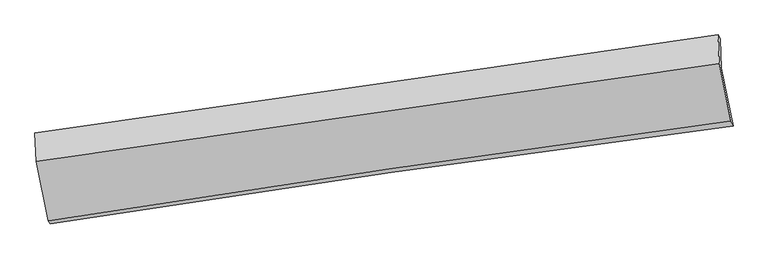
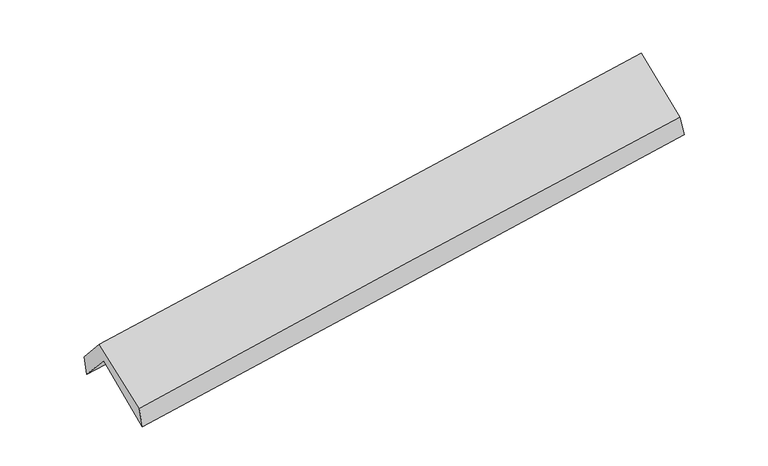
"""IFC4 building model written with IfcOpenShell, lengths in millimetres: proxy geometry."""

from ifc_helpers import new_model, si_unit, frame, origin, place, context, project, spatial, source, transform, mapped, element, save
from ifc_brep_helpers import plane_surface, spline_curve, spline_surface, advanced_brep


def generic_models_359820a6(model_context):
    return source(origin(), model_context, "Body", "AdvancedBrep", [
        advanced_brep(
        [(-2906.8212415, -2522.0276819, 1442.0467899), (-3009.754125, -2021.5582389, 1879.3713037), (2952.7084249, -1162.1381919, 2380.1708544), (3055.0704155, -1666.643585, 1956.9890132), (-3022.6152875, -1750.37914, 1575.1086726), (2941.5463606, -906.9157158, 2081.9267332), (-3039.5182201, -1729.1781581, 1751.8227775), (2923.826294, -870.6987009, 2243.1167833), (-3028.0298425, -1978.234086, 2035.3439529), (2934.7322618, -1122.6318276, 2538.9326529), (-2925.235486, -2497.408208, 1631.9415172), (3036.0048522, -1625.5763226, 2126.8055525)],
        [
            (0, 1),
            (1, 2, spline_curve(3, [(-3009.754125, -2021.5582389, 1879.3713037), (-2016.602715031, -1866.767090457, 1950.467895486), (-1023.1564711, -1717.75335676, 2027.749358063), (964.331042542, -1431.279945197, 2194.682474736), (1958.372315073, -1293.820330249, 2284.33419572), (2952.7084249, -1162.1381919, 2380.1708544)], [4, 2, 4], [0.0, 9.916486966062381, 19.833027395730568])),
            (2, 3),
            (3, 0, spline_curve(3, [(3055.0704155, -1666.643585, 1956.9890132), (2060.743425254, -1796.849491939, 1858.497988855), (1066.754287006, -1933.234662407, 1766.340526333), (-920.542928077, -2218.362761378, 1594.693186974), (-1913.851009053, -2367.105623268, 1515.203241631), (-2906.8212415, -2522.0276819, 1442.0467899)], [4, 2, 4], [0.0, 9.916540429668187, 19.833027395730568])),
            (1, 4),
            (4, 5, spline_curve(3, [(-3022.6152875, -1750.37914, 1575.1086726), (-2027.475855182, -1605.800164789, 1638.698459542), (-1032.89400644, -1463.222242642, 1712.728049598), (955.159882208, -1182.067746054, 1881.667290609), (1948.631916232, -1043.491193783, 1976.577054174), (2941.5463606, -906.9157158, 2081.9267332)], [4, 2, 4], [0.0, 9.916429169115439, 19.83291180152508])),
            (5, 2),
            (4, 6),
            (6, 7, spline_curve(3, [(-3039.5182201, -1729.1781581, 1751.8227775), (-2044.415848464, -1587.463314605, 1820.806733623), (-1049.920624681, -1445.066132499, 1896.239750992), (937.860886915, -1158.906321104, 2060.004349866), (1931.147167529, -1015.14368376, 2148.336001265), (2923.826294, -870.6987009, 2243.1167833)], [4, 2, 4], [0.0, 9.916328285159839, 19.832710033069972])),
            (7, 5),
            (6, 8),
            (8, 9, spline_curve(3, [(-3028.0298425, -1978.234086, 2035.3439529), (-2033.858804198, -1835.829069924, 2114.886860619), (-1039.877781695, -1693.326566265, 2196.62392032), (947.709588405, -1408.125814323, 2364.486796985), (1941.315934034, -1265.427565508, 2450.612637157), (2934.7322618, -1122.6318276, 2538.9326529)], [4, 2, 4], [0.0, 9.916125582475871, 19.83230462660919])),
            (9, 7),
            (8, 10),
            (10, 11, spline_curve(3, [(-2925.235486, -2497.408208, 1631.9415172), (-1933.178610133, -2340.230619027, 1712.73753795), (-940.381485093, -2188.989347277, 1794.374104359), (1046.698619836, -1898.378654928, 1959.328773906), (2040.981607553, -1759.009298172, 2042.646885715), (3036.0048522, -1625.5763226, 2126.8055525)], [4, 2, 4], [0.0, 9.916193899186977, 19.832441260399722])),
            (11, 9),
            (10, 0),
            (3, 11),
        ],
        [
            spline_surface(3, 3, [[(-2906.8212415, -2522.0276819, 1442.0467899), (-1913.851009028, -2367.105623293, 1515.203241749), (-920.542928216, -2218.362761359, 1594.693186914), (1066.754287145, -1933.234662425, 1766.340526393), (2060.743425326, -1796.849492068, 1858.497988984), (3055.0704155, -1666.643585, 1956.9890132)], [(-2941.132202644, -2355.204534251, 1587.821627839), (-1948.101577668, -2200.326112397, 1660.291459633), (-954.747442473, -2051.492959776, 1739.045243945), (1032.613205583, -1765.916423378, 1909.121175891), (2026.619721922, -1629.173104799, 2000.443391265), (3020.949751979, -1498.475120625, 2098.049626934)], [(-2975.443163856, -2188.381386549, 1733.596465761), (-1982.352146375, -2033.546601448, 1805.379677499), (-988.951956746, -1884.623158226, 1883.39730093), (998.472124006, -1598.598184363, 2051.901825341), (1992.496018483, -1461.496717555, 2142.388793543), (2986.829088421, -1330.306656275, 2239.110240666)], [(-3009.754125, -2021.5582389, 1879.3713037), (-2016.602715015, -1866.767090552, 1950.467895382), (-1023.156471003, -1717.753356642, 2027.749357961), (964.331042445, -1431.279945315, 2194.682474838), (1958.372315079, -1293.820330286, 2284.334195824), (2952.7084249, -1162.1381919, 2380.1708544)]], [4, 4], [4, 2, 4], [0.0, 2.1942305252307657], [0.0, 9.916486966062381, 19.833027395730568]),
            spline_surface(3, 3, [[(-3009.754125, -2021.5582389, 1879.3713037), (-2016.602715015, -1866.767090552, 1950.467895382), (-1023.156471003, -1717.753356642, 2027.749357961), (964.331042445, -1431.279945315, 2194.682474838), (1958.372315079, -1293.820330286, 2284.334195824), (2952.7084249, -1162.1381919, 2380.1708544)], [(-3014.041179167, -1931.165205911, 1777.950426671), (-2020.227095035, -1779.778115269, 1846.544750147), (-1026.40231614, -1632.909651937, 1922.742255179), (961.273989053, -1348.209212287, 2090.344080082), (1955.125515487, -1210.377284784, 2181.748481934), (2948.987736779, -1077.064033222, 2280.756147328)], [(-3018.328233333, -1840.772172989, 1676.529549629), (-2023.851475054, -1692.789140054, 1742.621604899), (-1029.648161321, -1548.065947201, 1817.735152409), (958.216935618, -1265.138479228, 1986.005685337), (1951.878715957, -1126.934239215, 2079.162768059), (2945.267048721, -991.989874478, 2181.341440272)], [(-3022.6152875, -1750.37914, 1575.1086726), (-2027.475855074, -1605.800164771, 1638.698459664), (-1032.894006459, -1463.222242496, 1712.728049627), (955.159882227, -1182.0677462, 1881.667290581), (1948.631916365, -1043.491193713, 1976.577054169), (2941.5463606, -906.9157158, 2081.9267332)]], [4, 4], [4, 2, 4], [0.0, 1.3210674280767796], [0.0, 9.916429169115439, 19.83291180152508]),
            spline_surface(3, 3, [[(-3022.6152875, -1750.37914, 1575.1086726), (-2027.475855074, -1605.800164771, 1638.698459664), (-1032.894006459, -1463.222242496, 1712.728049627), (955.159882227, -1182.0677462, 1881.667290581), (1948.631916365, -1043.491193713, 1976.577054169), (2941.5463606, -906.9157158, 2081.9267332)], [(-3028.249598389, -1743.31214603, 1634.01337422), (-2033.122519566, -1599.687881351, 1699.40121759), (-1038.569545809, -1457.170205858, 1773.898616709), (949.393550404, -1174.347271093, 1941.112977026), (1942.803666751, -1034.042023711, 2033.830036478), (2935.63967176, -894.84337749, 2135.656749878)], [(-3033.883909211, -1736.24515207, 1692.91807588), (-2038.769183991, -1593.575597939, 1760.103975557), (-1044.245085167, -1451.118169291, 1835.069183825), (943.627218573, -1166.626796057, 2000.558663505), (1936.975417057, -1024.592853739, 2091.083018853), (2929.73298284, -882.77103921, 2189.386766622)], [(-3039.5182201, -1729.1781581, 1751.8227775), (-2044.415848483, -1587.463314519, 1820.806733483), (-1049.920624517, -1445.066132653, 1896.239750907), (937.860886751, -1158.90632095, 2060.004349951), (1931.147167442, -1015.143683737, 2148.336001162), (2923.826294, -870.6987009, 2243.1167833)]], [4, 4], [4, 2, 4], [0.0, 0.6000886085581166], [0.0, 9.916328285159839, 19.832710033069972]),
            spline_surface(3, 3, [[(-3039.5182201, -1729.1781581, 1751.8227775), (-2044.415848483, -1587.463314519, 1820.806733483), (-1049.920624517, -1445.066132653, 1896.239750907), (937.860886751, -1158.90632095, 2060.004349951), (1931.147167442, -1015.143683737, 2148.336001162), (2923.826294, -870.6987009, 2243.1167833)], [(-3035.688760894, -1812.196800742, 1846.329835964), (-2040.896833665, -1670.251899678, 1918.833442542), (-1046.573010275, -1527.819610516, 1996.367807451), (941.143787293, -1241.979485461, 2161.498498927), (1934.53675636, -1098.571644293, 2249.094879793), (2927.461616604, -954.676409791, 2341.722073182)], [(-3031.859301706, -1895.215443358, 1940.836894436), (-2037.377818865, -1753.04048481, 2016.860151609), (-1043.225395971, -1610.573088311, 2096.495863938), (944.426687897, -1325.052649904, 2262.992647847), (1937.926345266, -1181.999604875, 2349.853758377), (2931.096939196, -1038.654118709, 2440.327363018)], [(-3028.0298425, -1978.234086, 2035.3439529), (-2033.858804047, -1835.829069969, 2114.886860668), (-1039.877781729, -1693.326566174, 2196.623920482), (947.709588439, -1408.125814415, 2364.486796823), (1941.315934183, -1265.427565431, 2450.612637008), (2934.7322618, -1122.6318276, 2538.9326529)]], [4, 4], [4, 2, 4], [0.0, 1.2851364454161682], [0.0, 9.916125582475871, 19.83230462660919]),
            spline_surface(3, 3, [[(-3028.0298425, -1978.234086, 2035.3439529), (-2033.858804047, -1835.829069969, 2114.886860668), (-1039.877781729, -1693.326566174, 2196.623920482), (947.709588439, -1408.125814415, 2364.486796823), (1941.315934183, -1265.427565431, 2450.612637008), (2934.7322618, -1122.6318276, 2538.9326529)], [(-2993.765056989, -2151.292126679, 1900.876474338), (-2000.29873938, -2003.962919677, 1980.83708641), (-1006.712349489, -1858.547493216, 2062.54064845), (980.705932206, -1571.543427876, 2229.434122471), (1974.537825246, -1429.954809664, 2314.624053245), (2968.489791921, -1290.279992599, 2401.556952782)], [(-2959.500271511, -2324.350167321, 1766.408995762), (-1966.738674746, -2172.096769347, 1846.787312138), (-973.546917242, -2023.768420311, 1928.457376475), (1013.702275979, -1734.96104139, 2094.381448175), (2007.759716347, -1594.482053902, 2178.635469436), (3002.247322079, -1457.928157601, 2264.181252618)], [(-2925.235486, -2497.408208, 1631.9415172), (-1933.178610079, -2340.230619055, 1712.73753788), (-940.381485002, -2188.989347353, 1794.374104443), (1046.698619745, -1898.378654852, 1959.328773823), (2040.98160741, -1759.009298135, 2042.646885673), (3036.0048522, -1625.5763226, 2126.8055525)]], [4, 4], [4, 2, 4], [0.0, 2.115654270256027], [0.0, 9.916193899186977, 19.832441260399722]),
            spline_surface(3, 3, [[(-2925.235486, -2497.408208, 1631.9415172), (-1933.178610079, -2340.230619055, 1712.73753788), (-940.381485002, -2188.989347353, 1794.374104443), (1046.698619745, -1898.378654852, 1959.328773823), (2040.98160741, -1759.009298135, 2042.646885673), (3036.0048522, -1625.5763226, 2126.8055525)], [(-2919.097404516, -2505.614699287, 1568.643274767), (-1926.736076412, -2349.188953787, 1646.892772504), (-933.76863274, -2198.780485374, 1727.813798599), (1053.383842211, -1909.997324063, 1894.999358013), (2047.56888004, -1771.622696119, 1981.263920105), (3042.360039958, -1639.265410073, 2070.200039395)], [(-2912.959322984, -2513.821190613, 1505.345032333), (-1920.293542695, -2358.14728856, 1581.048007126), (-927.155780478, -2208.571623337, 1661.253492758), (1060.069064678, -1921.615993215, 1830.669942204), (2054.156152696, -1784.236094084, 1919.880954552), (3048.715227742, -1652.954497527, 2013.594526305)], [(-2906.8212415, -2522.0276819, 1442.0467899), (-1913.851009028, -2367.105623293, 1515.203241749), (-920.542928216, -2218.362761359, 1594.693186914), (1066.754287145, -1933.234662425, 1766.340526393), (2060.743425326, -1796.849492068, 1858.497988984), (3055.0704155, -1666.643585, 1956.9890132)]], [4, 4], [4, 2, 4], [0.0, 0.6559752349800844], [0.0, 9.9164172522833, 19.83288796779655]),
            plane_surface(frame((2973.9814348, -1225.7673906, 2221.3235983), z_axis=(0.9877833749200815, 0.13472204069584298, 0.07831970366543681), x_axis=(0.15389299820587338, -0.7642703320742434, -0.6262649635851688))),
            plane_surface(frame((-2988.6623671, -2083.1309188, 1719.2725023), z_axis=(-0.9877833749202815, -0.13472204069068122, -0.07831970367179134), x_axis=(-0.09572435871116278, 0.12798153914933816, 0.9871461759974067))),
        ],
        [
            (0, [[1, 2, 3, 4]]),
            (1, [[5, 6, 7, -2]]),
            (2, [[8, 9, 10, -6]]),
            (3, [[11, 12, 13, -9]]),
            (4, [[14, 15, 16, -12]]),
            (5, [[17, -4, 18, -15]]),
            (6, [[-16, -18, -3, -7, -10, -13]]),
            (7, [[-17, -14, -11, -8, -5, -1]]),
        ],
    ),
    ])


if __name__ == "__main__":
    model = new_model("IFC4")
    model_context = context("Model", 3, world=origin())
    ifc_project = project(units=[si_unit("LENGTHUNIT", "METRE", prefix="MILLI")], contexts=[model_context])
    site = spatial("IfcSite", under=ifc_project)
    building = spatial("IfcBuilding", under=site)
    placement = place(None, origin())
    generic_models_shape = generic_models_359820a6(model_context)
    element("IfcBuildingElementProxy", 1, Name="Generic Models", at=placement, inside=building, context=model_context, shape_type="MappedRepresentation", body=[
        mapped(generic_models_shape, transform((0.0, 0.0, 0.0), x_axis=(1.0, 0.0, 0.0), y_axis=(0.0, 1.0, 0.0), z_axis=(0.0, 0.0, 1.0))),
    ])
    save(model, "model.ifc")
